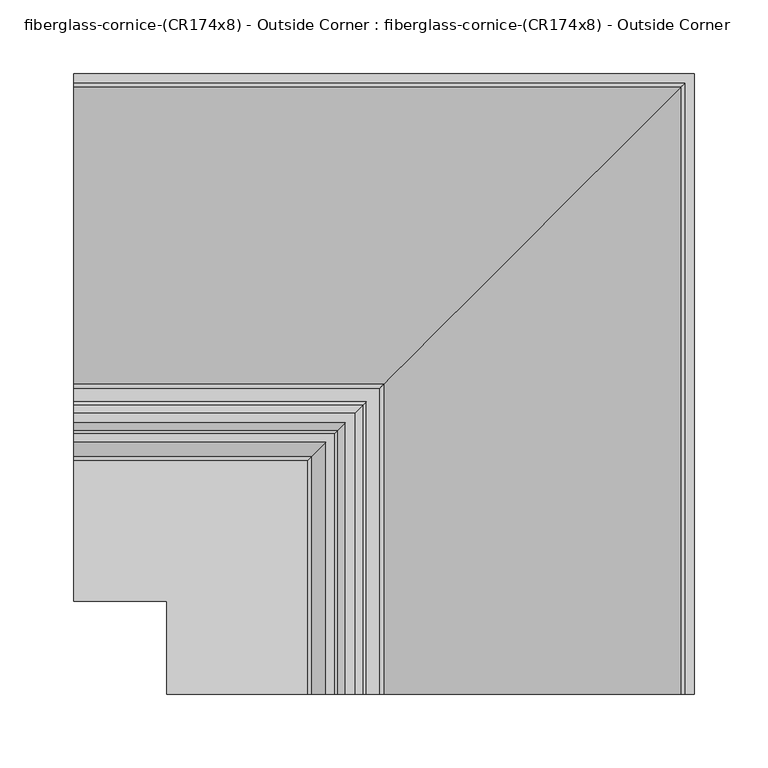
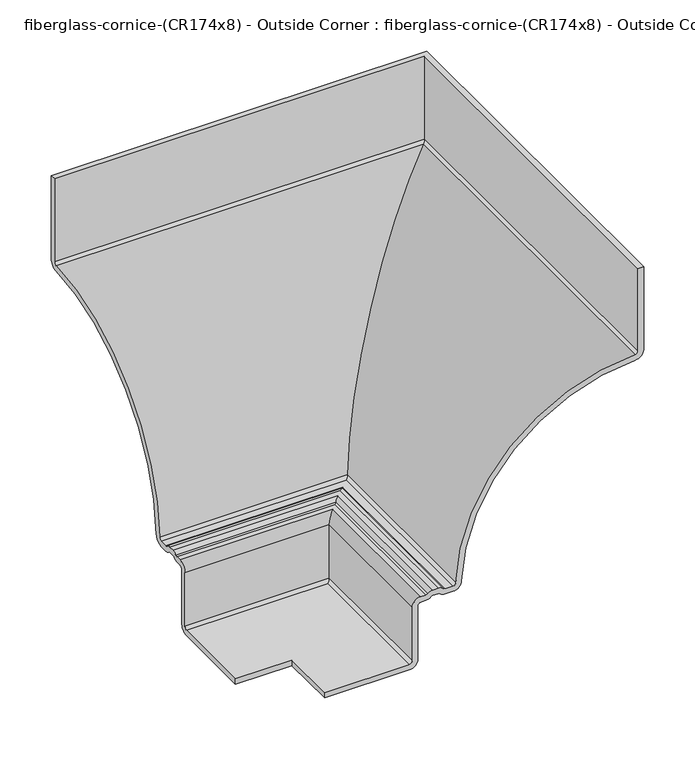
"""IFC4 building model written with IfcOpenShell, lengths in millimetres: furniture geometry, fiberglass-cornice-(CR174x8) - Outside Corner : fiberglass-cornice-(CR174x8) - Outside Corner."""

import ifcopenshell
import ifcopenshell.guid

model = None  # the IFC model being written
_history = None  # IfcOwnerHistory: only IFC2X3 demands one
_inside = {}  # id of a spatial element -> (the spatial element, [elements in it])
_under = {}  # id of a project, library or spatial element -> (it, [spatial elements below it])
_declared = {}  # id of a project -> (the project, [libraries it declares])
_typed = {}  # id of a type object -> (the type object, [elements of that type])
_made_of = {}  # id of a material, layer set ... -> (it, [elements and type objects made of it])


def new_model(schema):
    """Start an empty IFC model of exactly this schema.

    Asked for "IFC4X3", IfcOpenShell would pick the latest addendum, in which some entities
    have other attributes; the version numbers below select the first issue.
    IFC2X3 requires an IfcOwnerHistory on every rooted entity: one is made here for all.
    """
    global model, _history
    if schema == "IFC4X3":
        model = ifcopenshell.file(schema_version=(4, 3, 0, 0))
    else:
        model = ifcopenshell.file(schema=schema)
    _inside.clear()
    _under.clear()
    _declared.clear()
    _typed.clear()
    _made_of.clear()
    _history = None
    if model.schema == "IFC2X3":
        org = make("IfcOrganization", Name="unknown")
        user = make(
            "IfcPersonAndOrganization",
            ThePerson=make("IfcPerson", FamilyName="unknown"),
            TheOrganization=org,
        )
        app = make(
            "IfcApplication",
            ApplicationDeveloper=org,
            Version="unknown",
            ApplicationFullName="unknown",
            ApplicationIdentifier="unknown",
        )
        _history = make(
            "IfcOwnerHistory",
            OwningUser=user,
            OwningApplication=app,
            ChangeAction="ADDED",
            CreationDate=0,
        )
    return model


def make(cls, **values):
    """One entity of the class cls with the attributes given. An attribute that is None is left unset."""
    return model.create_entity(
        cls, **{name: value for name, value in values.items() if value is not None}
    )


def rooted(cls, **values):
    """An entity with a GlobalId (a new one), such as an element, a storey or a relation."""
    return make(cls, GlobalId=ifcopenshell.guid.new(), OwnerHistory=_history, **values)


def si_unit(unit_type, name, prefix=None):
    """IfcSIUnit, for example si_unit("LENGTHUNIT", "METRE", prefix="MILLI")."""
    return make("IfcSIUnit", UnitType=unit_type, Prefix=prefix, Name=name)


def assignment(units):
    """IfcUnitAssignment: the units of a project."""
    return None if units is None else make("IfcUnitAssignment", Units=units)


def point(xyz):
    """IfcCartesianPoint."""
    return None if xyz is None else make("IfcCartesianPoint", Coordinates=xyz)


def direction(xyz):
    """IfcDirection."""
    return None if xyz is None else make("IfcDirection", DirectionRatios=xyz)


def frame(location, z_axis=None, x_axis=None):
    """IfcAxis2Placement3D, a coordinate frame: its origin and axes. An axis left out is left unset."""
    return make(
        "IfcAxis2Placement3D",
        Location=point(location),
        Axis=direction(z_axis),
        RefDirection=direction(x_axis),
    )


def origin():
    """The frame at (0, 0, 0) with its axes left unset."""
    return frame((0.0, 0.0, 0.0))


def place(relative_to, where):
    """IfcLocalPlacement: puts the frame where relative to a parent placement (None: the world)."""
    return make(
        "IfcLocalPlacement", PlacementRelTo=relative_to, RelativePlacement=where
    )


def context(
    kind, dimensions, precision=None, world=None, true_north=None, identifier=None
):
    """IfcGeometricRepresentationContext, for example the 3D "Model" context."""
    return make(
        "IfcGeometricRepresentationContext",
        ContextIdentifier=identifier,
        ContextType=kind,
        CoordinateSpaceDimension=dimensions,
        Precision=precision,
        WorldCoordinateSystem=world,
        TrueNorth=true_north,
    )


def project(units=None, contexts=None):
    """IfcProject with its units and contexts."""
    return rooted(
        "IfcProject",
        Name="project",
        RepresentationContexts=contexts,
        UnitsInContext=assignment(units),
    )


def spatial(cls, under=None, at=None, **own):
    """A site, building, storey or space (cls), placed at a placement, below another one or the project."""
    s = rooted(cls, ObjectPlacement=at, **own)
    if under is not None:
        _under.setdefault(under.id(), (under, []))[1].append(s)
    return s


def polyline(points):
    """IfcPolyline through the points."""
    return make("IfcPolyline", Points=[point(p) for p in points])


def circle_curve(where, radius):
    """IfcCircle in the frame where."""
    return make("IfcCircle", Position=where, Radius=radius)


def ellipse_curve(where, semi_axis1, semi_axis2):
    """IfcEllipse in the frame where."""
    return make(
        "IfcEllipse", Position=where, SemiAxis1=semi_axis1, SemiAxis2=semi_axis2
    )


def shape(context_of_items, identifier, shape_type, items):
    """IfcShapeRepresentation: the items that make up one representation, for example the "Body"."""
    return make(
        "IfcShapeRepresentation",
        ContextOfItems=context_of_items,
        RepresentationIdentifier=identifier,
        RepresentationType=shape_type,
        Items=items,
    )


def source(mapping_origin, context_of_items, identifier, shape_type, items):
    """IfcRepresentationMap: a shape defined once, which mapped items show again and again."""
    return make(
        "IfcRepresentationMap",
        MappingOrigin=mapping_origin,
        MappedRepresentation=shape(context_of_items, identifier, shape_type, items),
    )


def transform(
    local_origin,
    x_axis=None,
    y_axis=None,
    z_axis=None,
    scale=None,
    scale2=None,
    scale3=None,
    uniform=True,
):
    """IfcCartesianTransformationOperator3D, or its non-uniform kind. x_axis, y_axis, z_axis: its Axis1, 2, 3."""
    if uniform:
        return make(
            "IfcCartesianTransformationOperator3D",
            Axis1=direction(x_axis),
            Axis2=direction(y_axis),
            LocalOrigin=point(local_origin),
            Scale=scale,
            Axis3=direction(z_axis),
        )
    return make(
        "IfcCartesianTransformationOperator3DnonUniform",
        Axis1=direction(x_axis),
        Axis2=direction(y_axis),
        LocalOrigin=point(local_origin),
        Scale=scale,
        Axis3=direction(z_axis),
        Scale2=scale2,
        Scale3=scale3,
    )


def mapped(mapping_source, mapping_target):
    """IfcMappedItem: shows the shape of a source again, moved by a transform."""
    return make(
        "IfcMappedItem", MappingSource=mapping_source, MappingTarget=mapping_target
    )


def made_of(thing, what):
    """Note that an element or type object is made of a material, layer set ...; save() writes the relation."""
    if what is not None:
        _made_of.setdefault(what.id(), (what, []))[1].append(thing)
    return thing


def element(
    cls,
    number,
    at=None,
    inside=None,
    cuts=None,
    type_object=None,
    material=None,
    context=None,
    identifier="Body",
    shape_type=None,
    held_by="IfcProductDefinitionShape",
    body=None,
    shapes=None,
    **own,
):
    """One element of the class cls, such as IfcWall. Its Tag is "e" and its number.

    at: its placement. inside: the storey or other place that contains it. cuts: it is an
    opening in that element (IfcRelVoidsElement). A single representation is given by context,
    identifier, shape_type and body (its items); several are given by shapes. held_by: the class
    of the entity that holds the representations. save() writes the other relations.
    """
    e = rooted(cls, Tag="e%d" % number, ObjectPlacement=at, **own)
    if body is not None:
        shapes = [shape(context, identifier, shape_type, body)]
    if shapes is not None:
        e.Representation = make(held_by, Representations=shapes)
    if inside is not None:
        _inside.setdefault(inside.id(), (inside, []))[1].append(e)
    if cuts is not None:
        rooted(
            "IfcRelVoidsElement", RelatingBuildingElement=cuts, RelatedOpeningElement=e
        )
    if type_object is not None:
        _typed.setdefault(type_object.id(), (type_object, []))[1].append(e)
    return made_of(e, material)


def aggregate(whole, parts):
    """IfcRelAggregates: a whole, such as a stair, and the parts it consists of."""
    return rooted("IfcRelAggregates", RelatingObject=whole, RelatedObjects=parts)


def save(model, path):
    """Write the relations noted so far, then the file.

    IfcRelAggregates (storeys below a building ...), IfcRelContainedInSpatialStructure (elements
    in a storey), IfcRelDefinesByType, IfcRelAssociatesMaterial and IfcRelDeclares: one each for
    every whole, place, type object, material and project.
    """
    for whole, parts in _under.values():
        aggregate(whole, parts)
    for where, things in _inside.values():
        rooted(
            "IfcRelContainedInSpatialStructure",
            RelatedElements=things,
            RelatingStructure=where,
        )
    for kind, things in _typed.values():
        rooted("IfcRelDefinesByType", RelatedObjects=things, RelatingType=kind)
    for what, things in _made_of.values():
        rooted("IfcRelAssociatesMaterial", RelatedObjects=things, RelatingMaterial=what)
    for by, libraries in _declared.values():
        rooted("IfcRelDeclares", RelatingContext=by, RelatedDefinitions=libraries)
    model.write(path)


def plane_surface(at):
    """IfcPlane: the flat surface through the origin of the frame at, square to its z axis."""
    return make("IfcPlane", Position=at)


def cylinder_surface(at, radius):
    """IfcCylindricalSurface: all points at the distance radius from the z axis of the frame at."""
    return make("IfcCylindricalSurface", Position=at, Radius=radius)


def revolved_surface(curve, axis_point, axis_direction):
    """IfcSurfaceOfRevolution: the curve turned about the line through axis_point along axis_direction."""
    return make(
        "IfcSurfaceOfRevolution",
        SweptCurve=make("IfcArbitraryOpenProfileDef", ProfileType="CURVE", Curve=curve),
        AxisPosition=make("IfcAxis1Placement", Location=point(axis_point), Axis=direction(axis_direction)),
    )


def advanced_brep(points, edges, surfaces, faces):
    """IfcAdvancedBrep: a solid bounded by faces that lie on surfaces and meet in shared edges.

    An edge is (start, end): straight between two places in points (the first is 0);
    or (start, end, curve); or (start, end, curve, False) where it runs against its curve.
    A face is (place in surfaces, loops), or (place, loops, False) where it looks against
    its surface's normal. A loop lists edges by number (the first is 1), with a minus sign
    where the edge is run from its end to its start. The first loop is the outer one.
    """
    corners = [point(p) for p in points]
    vertices = [make("IfcVertexPoint", VertexGeometry=c) for c in corners]
    made = []
    for start, end, *more in edges:
        made.append(
            make(
                "IfcEdgeCurve",
                EdgeStart=vertices[start],
                EdgeEnd=vertices[end],
                EdgeGeometry=more[0] if more else make("IfcPolyline", Points=[corners[start], corners[end]]),
                SameSense=more[1] if len(more) > 1 else True,
            )
        )
    hull = []
    for where, loops, *sense in faces:
        bounds = []
        for j, loop in enumerate(loops):
            ring = [make("IfcOrientedEdge", EdgeElement=made[abs(k) - 1], Orientation=k > 0) for k in loop]
            bounds.append(
                make(
                    "IfcFaceOuterBound" if j == 0 else "IfcFaceBound",
                    Bound=make("IfcEdgeLoop", EdgeList=ring),
                    Orientation=True,
                )
            )
        hull.append(make("IfcAdvancedFace", Bounds=bounds, FaceSurface=surfaces[where], SameSense=sense[0] if sense else True))
    return make("IfcAdvancedBrep", Outer=make("IfcClosedShell", CfsFaces=hull))


def fiberglass_cornice_cr174x8_outside_corner_fiberglass_cornice_20318d1a(model_context):
    return source(origin(), model_context, "Body", "AdvancedBrep", [
        advanced_brep(
        [(-196.9488213, 460.375, 330.1999904), (-196.9488213, 460.375, 231.6795826), (-196.9488213, 451.1361588, 222.1588821), (-196.9488213, 255.5113441, 28.207072), (-196.9488213, 245.9934525, 19.0499904), (-196.9488213, 237.1363562, 19.0499904), (-196.9488213, 231.5812634, 21.3178476), (-196.9488213, 229.3592262, 22.2249904), (-196.9488213, 223.0092262, 22.2249904), (-196.9488213, 220.7871891, 21.3178476), (-196.9488213, 215.2320963, 19.0499904), (-196.9488213, 209.55, 19.0499904), (-196.9488213, 206.375, 15.8749904), (-196.9488213, 206.375, -47.6250096), (-196.9488213, 196.85, -57.1500096), (-196.9488213, 101.6, -57.1500096), (-196.9488213, 101.6, -50.8000096), (-196.9488213, 196.85, -50.8000096), (-196.9488213, 200.025, -47.6250096), (-196.9488213, 200.025, 15.8749904), (-196.9488213, 209.55, 25.3999904), (-196.9488213, 215.2320963, 25.3999904), (-196.9488213, 217.4541334, 26.3071333), (-196.9488213, 223.0092262, 28.5749904), (-196.9488213, 229.3592262, 28.5749904), (-196.9488213, 234.9143191, 26.3071333), (-196.9488213, 237.1363562, 25.3999904), (-196.9488213, 245.9934525, 25.3999904), (-196.9488213, 249.166083, 28.4523509), (-196.9488213, 450.9453863, 228.5060158), (-196.9488213, 454.025, 231.6795826), (-196.9488213, 454.025, 330.1999904), (225.4253974, 38.0007813, 330.1999904), (219.0753974, 38.0007813, 330.1999904), (219.0753974, 38.0007813, 231.6795826), (215.9957837, 38.0007813, 228.5060158), (14.2164804, 38.0007813, 28.4523509), (11.0438499, 38.0007813, 25.3999904), (2.1867536, 38.0007813, 25.3999904), (-0.0352835, 38.0007813, 26.3071333), (-5.5903764, 38.0007813, 28.5749904), (-11.9403764, 38.0007813, 28.5749904), (-17.4954692, 38.0007813, 26.3071333), (-19.7175063, 38.0007813, 25.3999904), (-25.3996026, 38.0007813, 25.3999904), (-34.9246026, 38.0007813, 15.8749904), (-34.9246026, 38.0007813, -47.6250096), (-38.0996026, 38.0007813, -50.8000096), (-133.3496026, 38.0007813, -50.8000096), (-133.3496026, 38.0007813, -57.1500096), (-38.0996026, 38.0007813, -57.1500096), (-28.5746026, 38.0007813, -47.6250096), (-28.5746026, 38.0007813, 15.8749904), (-25.3996026, 38.0007813, 19.0499904), (-19.7175063, 38.0007813, 19.0499904), (-14.1624135, 38.0007813, 21.3178476), (-11.9403764, 38.0007813, 22.2249904), (-5.5903764, 38.0007813, 22.2249904), (-3.3683392, 38.0007813, 21.3178476), (2.1867536, 38.0007813, 19.0499904), (11.0438499, 38.0007813, 19.0499904), (20.5617415, 38.0007813, 28.207072), (216.1865562, 38.0007813, 222.1588821), (225.4253974, 38.0007813, 231.6795826), (225.4253974, 460.375, 330.1999904), (225.4253974, 460.375, 231.6795826), (216.1865562, 451.1361588, 222.1588821), (20.5617415, 255.5113441, 28.207072), (11.0438499, 245.9934525, 19.0499904), (2.1867536, 237.1363562, 19.0499904), (-3.3683392, 231.5812634, 21.3178476), (-5.5903764, 229.3592262, 22.2249904), (-11.9403764, 223.0092262, 22.2249904), (-14.1624135, 220.7871891, 21.3178476), (-19.7175063, 215.2320963, 19.0499904), (-25.3996026, 209.55, 19.0499904), (-28.5746026, 206.375, 15.8749904), (-28.5746026, 206.375, -47.6250096), (-38.0996026, 196.85, -57.1500096), (-133.3496026, 101.6, -57.1500096), (-133.3496026, 101.6, -50.8000096), (-38.0996026, 196.85, -50.8000096), (-34.9246026, 200.025, -47.6250096), (-34.9246026, 200.025, 15.8749904), (-25.3996026, 209.55, 25.3999904), (-19.7175063, 215.2320963, 25.3999904), (-17.4954692, 217.4541334, 26.3071333), (-11.9403764, 223.0092262, 28.5749904), (-5.5903764, 229.3592262, 28.5749904), (-0.0352835, 234.9143191, 26.3071333), (2.1867536, 237.1363562, 25.3999904), (11.0438499, 245.9934525, 25.3999904), (14.2164804, 249.166083, 28.4523509), (215.9957837, 450.9453863, 228.5060158), (219.0753974, 454.025, 231.6795826), (219.0753974, 454.025, 330.1999904)],
        [
            (0, 1),
            (1, 2, circle_curve(frame((-196.9488213, 450.85, 231.6795826), z_axis=(-1.0, 0.0, 0.0), x_axis=(0.0, 1.0, 0.0)), 9.525)),
            (2, 3, circle_curve(frame((-196.9488213, 457.2, 20.4107047), z_axis=(1.0, 0.0, 0.0), x_axis=(0.0, 1.0, 0.0)), 201.8392857)),
            (3, 4, circle_curve(frame((-196.9488213, 245.9934525, 28.5749904), z_axis=(-1.0, 0.0, 0.0), x_axis=(0.0, 1.0, 0.0)), 9.525)),
            (4, 5),
            (5, 6, circle_curve(frame((-196.9488213, 237.1363562, 26.9874904), z_axis=(-1.0, 0.0, 0.0), x_axis=(0.0, 1.0, 0.0)), 7.9375)),
            (6, 7, circle_curve(frame((-196.9488213, 229.3592262, 19.0499904), z_axis=(1.0, 0.0, 0.0), x_axis=(0.0, 1.0, 0.0)), 3.175)),
            (7, 8),
            (8, 9, circle_curve(frame((-196.9488213, 223.0092262, 19.0499904), z_axis=(1.0, 0.0, 0.0), x_axis=(0.0, 1.0, 0.0)), 3.175)),
            (9, 10, circle_curve(frame((-196.9488213, 215.2320963, 26.9874904), z_axis=(-1.0, 0.0, 0.0), x_axis=(0.0, 1.0, 0.0)), 7.9375)),
            (10, 11),
            (11, 12, circle_curve(frame((-196.9488213, 209.55, 15.8749904), z_axis=(1.0, 0.0, 0.0), x_axis=(0.0, 1.0, 0.0)), 3.175)),
            (12, 13),
            (13, 14, circle_curve(frame((-196.9488213, 196.85, -47.6250096), z_axis=(-1.0, 0.0, 0.0), x_axis=(0.0, 1.0, 0.0)), 9.525)),
            (14, 15),
            (15, 16),
            (16, 17),
            (17, 18, circle_curve(frame((-196.9488213, 196.85, -47.6250096), z_axis=(1.0, 0.0, 0.0), x_axis=(0.0, 1.0, 0.0)), 3.175)),
            (18, 19),
            (19, 20, circle_curve(frame((-196.9488213, 209.55, 15.8749904), z_axis=(-1.0, 0.0, 0.0), x_axis=(0.0, 1.0, 0.0)), 9.525)),
            (20, 21),
            (21, 22, circle_curve(frame((-196.9488213, 215.2320963, 28.5749904), z_axis=(1.0, 0.0, 0.0), x_axis=(0.0, 1.0, 0.0)), 3.175)),
            (22, 23, circle_curve(frame((-196.9488213, 223.0092262, 20.6374904), z_axis=(-1.0, 0.0, 0.0), x_axis=(0.0, 1.0, 0.0)), 7.9375)),
            (23, 24),
            (24, 25, circle_curve(frame((-196.9488213, 229.3592262, 20.6374904), z_axis=(-1.0, 0.0, 0.0), x_axis=(0.0, 1.0, 0.0)), 7.9375)),
            (25, 26, circle_curve(frame((-196.9488213, 237.1363562, 28.5749904), z_axis=(1.0, 0.0, 0.0), x_axis=(0.0, 1.0, 0.0)), 3.175)),
            (26, 27),
            (27, 28, circle_curve(frame((-196.9488213, 245.9934525, 28.5749904), z_axis=(1.0, 0.0, 0.0), x_axis=(0.0, 1.0, 0.0)), 3.175)),
            (28, 29, circle_curve(frame((-196.9488213, 457.2, 20.4107047), z_axis=(-1.0, 0.0, 0.0), x_axis=(0.0, 1.0, 0.0)), 208.1892857)),
            (29, 30, circle_curve(frame((-196.9488213, 450.85, 231.6795826), z_axis=(1.0, 0.0, 0.0), x_axis=(0.0, 1.0, 0.0)), 3.175)),
            (30, 31),
            (31, 0),
            (32, 33),
            (33, 34),
            (34, 35, circle_curve(frame((215.9003974, 38.0007813, 231.6795826), z_axis=(0.0, 1.0, 0.0), x_axis=(1.0, 0.0, 0.0)), 3.175)),
            (35, 36, circle_curve(frame((222.2503974, 38.0007813, 20.4107047), z_axis=(0.0, -1.0, 0.0), x_axis=(1.0, 0.0, 0.0)), 208.1892857)),
            (36, 37, circle_curve(frame((11.0438499, 38.0007813, 28.5749904), z_axis=(0.0, 1.0, 0.0), x_axis=(1.0, 0.0, 0.0)), 3.175)),
            (37, 38),
            (38, 39, circle_curve(frame((2.1867536, 38.0007813, 28.5749904), z_axis=(0.0, 1.0, 0.0), x_axis=(1.0, 0.0, 0.0)), 3.175)),
            (39, 40, circle_curve(frame((-5.5903764, 38.0007813, 20.6374904), z_axis=(0.0, -1.0, 0.0), x_axis=(1.0, 0.0, 0.0)), 7.9375)),
            (40, 41),
            (41, 42, circle_curve(frame((-11.9403764, 38.0007813, 20.6374904), z_axis=(0.0, -1.0, 0.0), x_axis=(1.0, 0.0, 0.0)), 7.9375)),
            (42, 43, circle_curve(frame((-19.7175063, 38.0007813, 28.5749904), z_axis=(0.0, 1.0, 0.0), x_axis=(1.0, 0.0, 0.0)), 3.175)),
            (43, 44),
            (44, 45, circle_curve(frame((-25.3996026, 38.0007813, 15.8749904), z_axis=(0.0, -1.0, 0.0), x_axis=(1.0, 0.0, 0.0)), 9.525)),
            (45, 46),
            (46, 47, circle_curve(frame((-38.0996026, 38.0007813, -47.6250096), z_axis=(0.0, 1.0, 0.0), x_axis=(1.0, 0.0, 0.0)), 3.175)),
            (47, 48),
            (48, 49),
            (49, 50),
            (50, 51, circle_curve(frame((-38.0996026, 38.0007813, -47.6250096), z_axis=(0.0, -1.0, 0.0), x_axis=(1.0, 0.0, 0.0)), 9.525)),
            (51, 52),
            (52, 53, circle_curve(frame((-25.3996026, 38.0007813, 15.8749904), z_axis=(0.0, 1.0, 0.0), x_axis=(1.0, 0.0, 0.0)), 3.175)),
            (53, 54),
            (54, 55, circle_curve(frame((-19.7175063, 38.0007813, 26.9874904), z_axis=(0.0, -1.0, 0.0), x_axis=(1.0, 0.0, 0.0)), 7.9375)),
            (55, 56, circle_curve(frame((-11.9403764, 38.0007813, 19.0499904), z_axis=(0.0, 1.0, 0.0), x_axis=(1.0, 0.0, 0.0)), 3.175)),
            (56, 57),
            (57, 58, circle_curve(frame((-5.5903764, 38.0007813, 19.0499904), z_axis=(0.0, 1.0, 0.0), x_axis=(1.0, 0.0, 0.0)), 3.175)),
            (58, 59, circle_curve(frame((2.1867536, 38.0007813, 26.9874904), z_axis=(0.0, -1.0, 0.0), x_axis=(1.0, 0.0, 0.0)), 7.9375)),
            (59, 60),
            (60, 61, circle_curve(frame((11.0438499, 38.0007813, 28.5749904), z_axis=(0.0, -1.0, 0.0), x_axis=(1.0, 0.0, 0.0)), 9.525)),
            (61, 62, circle_curve(frame((222.2503974, 38.0007813, 20.4107047), z_axis=(0.0, 1.0, 0.0), x_axis=(1.0, 0.0, 0.0)), 201.8392857)),
            (62, 63, circle_curve(frame((215.9003974, 38.0007813, 231.6795826), z_axis=(0.0, -1.0, 0.0), x_axis=(1.0, 0.0, 0.0)), 9.525)),
            (63, 32),
            (0, 64),
            (64, 65),
            (65, 1),
            (65, 66, ellipse_curve(frame((215.9003974, 450.85, 231.6795826), z_axis=(-0.7071067811865563, 0.7071067811865387, 0.0), x_axis=(-0.7071067811865387, -0.7071067811865565, 0.0)), 13.4703842, 9.525)),
            (66, 2),
            (66, 67, ellipse_curve(frame((222.2503974, 457.2, 20.4107047), z_axis=(0.7071067811865563, -0.7071067811865387, 0.0), x_axis=(0.7071067811865387, 0.7071067811865565, 0.0)), 285.4438553, 201.8392857)),
            (67, 3),
            (67, 68, ellipse_curve(frame((11.0438499, 245.9934525, 28.5749904), z_axis=(-0.7071067811865563, 0.7071067811865387, 0.0), x_axis=(-0.7071067811865387, -0.7071067811865565, 0.0)), 13.4703842, 9.525)),
            (68, 4),
            (68, 60),
            (59, 69),
            (69, 5),
            (69, 70, ellipse_curve(frame((2.1867536, 237.1363562, 26.9874904), z_axis=(-0.7071067811865563, 0.7071067811865387, 0.0), x_axis=(-0.7071067811865387, -0.7071067811865565, 0.0)), 11.2253202, 7.9375)),
            (70, 6),
            (70, 71, ellipse_curve(frame((-5.5903764, 229.3592262, 19.0499904), z_axis=(0.7071067811865563, -0.7071067811865387, 0.0), x_axis=(0.7071067811865387, 0.7071067811865565, 0.0)), 4.4901281, 3.175)),
            (71, 7),
            (71, 57),
            (56, 72),
            (72, 8),
            (72, 73, ellipse_curve(frame((-11.9403764, 223.0092262, 19.0499904), z_axis=(0.7071067811865563, -0.7071067811865387, 0.0), x_axis=(0.7071067811865387, 0.7071067811865565, 0.0)), 4.4901281, 3.175)),
            (73, 9),
            (73, 74, ellipse_curve(frame((-19.7175063, 215.2320963, 26.9874904), z_axis=(-0.7071067811865563, 0.7071067811865387, 0.0), x_axis=(-0.7071067811865387, -0.7071067811865565, 0.0)), 11.2253202, 7.9375)),
            (74, 10),
            (74, 54),
            (53, 75),
            (75, 11),
            (75, 76, ellipse_curve(frame((-25.3996026, 209.55, 15.8749904), z_axis=(0.7071067811865563, -0.7071067811865387, 0.0), x_axis=(0.7071067811865387, 0.7071067811865565, 0.0)), 4.4901281, 3.175)),
            (76, 12),
            (76, 77),
            (77, 13),
            (77, 78, ellipse_curve(frame((-38.0996026, 196.85, -47.6250096), z_axis=(-0.7071067811865563, 0.7071067811865387, 0.0), x_axis=(-0.7071067811865387, -0.7071067811865565, 0.0)), 13.4703842, 9.525)),
            (78, 14),
            (78, 50),
            (49, 79),
            (79, 15),
            (79, 80),
            (80, 16),
            (80, 48),
            (47, 81),
            (81, 17),
            (81, 82, ellipse_curve(frame((-38.0996026, 196.85, -47.6250096), z_axis=(0.7071067811865563, -0.7071067811865387, 0.0), x_axis=(0.7071067811865387, 0.7071067811865565, 0.0)), 4.4901281, 3.175)),
            (82, 18),
            (82, 83),
            (83, 19),
            (83, 84, ellipse_curve(frame((-25.3996026, 209.55, 15.8749904), z_axis=(-0.7071067811865563, 0.7071067811865387, 0.0), x_axis=(-0.7071067811865387, -0.7071067811865565, 0.0)), 13.4703842, 9.525)),
            (84, 20),
            (84, 44),
            (43, 85),
            (85, 21),
            (85, 86, ellipse_curve(frame((-19.7175063, 215.2320963, 28.5749904), z_axis=(0.7071067811865563, -0.7071067811865387, 0.0), x_axis=(0.7071067811865387, 0.7071067811865565, 0.0)), 4.4901281, 3.175)),
            (86, 22),
            (86, 87, ellipse_curve(frame((-11.9403764, 223.0092262, 20.6374904), z_axis=(-0.7071067811865563, 0.7071067811865387, 0.0), x_axis=(-0.7071067811865387, -0.7071067811865565, 0.0)), 11.2253202, 7.9375)),
            (87, 23),
            (87, 41),
            (40, 88),
            (88, 24),
            (88, 89, ellipse_curve(frame((-5.5903764, 229.3592262, 20.6374904), z_axis=(-0.7071067811865563, 0.7071067811865387, 0.0), x_axis=(-0.7071067811865387, -0.7071067811865565, 0.0)), 11.2253202, 7.9375)),
            (89, 25),
            (89, 90, ellipse_curve(frame((2.1867536, 237.1363562, 28.5749904), z_axis=(0.7071067811865563, -0.7071067811865387, 0.0), x_axis=(0.7071067811865387, 0.7071067811865565, 0.0)), 4.4901281, 3.175)),
            (90, 26),
            (90, 38),
            (37, 91),
            (91, 27),
            (91, 92, ellipse_curve(frame((11.0438499, 245.9934525, 28.5749904), z_axis=(0.7071067811865563, -0.7071067811865387, 0.0), x_axis=(0.7071067811865387, 0.7071067811865565, 0.0)), 4.4901281, 3.175)),
            (92, 28),
            (92, 93, ellipse_curve(frame((222.2503974, 457.2, 20.4107047), z_axis=(-0.7071067811865563, 0.7071067811865387, 0.0), x_axis=(-0.7071067811865387, -0.7071067811865565, 0.0)), 294.4241114, 208.1892857)),
            (93, 29),
            (93, 94, ellipse_curve(frame((215.9003974, 450.85, 231.6795826), z_axis=(0.7071067811865563, -0.7071067811865387, 0.0), x_axis=(0.7071067811865387, 0.7071067811865565, 0.0)), 4.4901281, 3.175)),
            (94, 30),
            (94, 95),
            (95, 31),
            (95, 33),
            (32, 64),
            (63, 65),
            (62, 66),
            (61, 67),
            (58, 70),
            (55, 73),
            (52, 76),
            (51, 77),
            (46, 82),
            (45, 83),
            (42, 86),
            (39, 89),
            (36, 92),
            (35, 93),
            (34, 94),
        ],
        [
            plane_surface(frame((-196.9488213, 101.6, 330.1999904), z_axis=(-1.0, 0.0, 0.0), x_axis=(0.0, 0.0, 1.0))),
            plane_surface(frame((-133.3496026, 38.0007813, 330.1999904), z_axis=(0.0, -1.0, 0.0), x_axis=(0.0, 0.0, 1.0))),
            plane_surface(frame((-196.9488213, 460.375, 330.1999904), z_axis=(0.0, 1.0, 0.0), x_axis=(1.0, 0.0, 0.0))),
            cylinder_surface(frame((-196.9488213, 450.85, 231.6795826), z_axis=(-1.0, 0.0, 0.0), x_axis=(0.0, 1.0, 0.0)), 9.525),
            revolved_surface(polyline([(424.08968313065907, 659.0392856999999, 20.4107047), (-196.9488213, 659.0392856999999, 20.4107047)]), (-196.9488213, 457.2, 20.4107047), (1.0, 0.0, 0.0)),
            cylinder_surface(frame((-196.9488213, 245.9934525, 28.5749904), z_axis=(-1.0, 0.0, 0.0), x_axis=(0.0, 1.0, 0.0)), 9.525),
            plane_surface(frame((-196.9488213, 245.9934525, 19.0499904), z_axis=(0.0, 0.0, -1.0), x_axis=(1.0, 0.0, 0.0))),
            cylinder_surface(frame((-196.9488213, 237.1363562, 26.9874904), z_axis=(-1.0, 0.0, 0.0), x_axis=(0.0, 1.0, 0.0)), 7.9375),
            revolved_surface(polyline([(-2.4153763720937604, 232.5342262, 19.0499904), (-196.9488213, 232.5342262, 19.0499904)]), (-196.9488213, 229.3592262, 19.0499904), (1.0, 0.0, 0.0)),
            plane_surface(frame((-196.9488213, 229.3592262, 22.2249904), z_axis=(0.0, 0.0, -1.0), x_axis=(1.0, 0.0, 0.0))),
            revolved_surface(polyline([(-8.765376372093755, 226.1842262, 19.0499904), (-196.9488213, 226.1842262, 19.0499904)]), (-196.9488213, 223.0092262, 19.0499904), (1.0, 0.0, 0.0)),
            cylinder_surface(frame((-196.9488213, 215.2320963, 26.9874904), z_axis=(-1.0, 0.0, 0.0), x_axis=(0.0, 1.0, 0.0)), 7.9375),
            plane_surface(frame((-196.9488213, 215.2320963, 19.0499904), z_axis=(0.0, 0.0, -1.0), x_axis=(1.0, 0.0, 0.0))),
            revolved_surface(polyline([(-22.224602572093772, 212.72500000000002, 15.8749904), (-196.9488213, 212.72500000000002, 15.8749904)]), (-196.9488213, 209.55, 15.8749904), (1.0, 0.0, 0.0)),
            plane_surface(frame((-196.9488213, 206.375, 15.8749904), z_axis=(0.0, 1.0, 0.0), x_axis=(1.0, 0.0, 0.0))),
            cylinder_surface(frame((-196.9488213, 196.85, -47.6250096), z_axis=(-1.0, 0.0, 0.0), x_axis=(0.0, 1.0, 0.0)), 9.525),
            plane_surface(frame((-196.9488213, 196.85, -57.1500096), z_axis=(0.0, 0.0, -1.0), x_axis=(1.0, 0.0, 0.0))),
            plane_surface(frame((-196.9488213, 101.6, -57.1500096), z_axis=(0.0, -1.0, 0.0), x_axis=(1.0, 0.0, 0.0))),
            plane_surface(frame((-196.9488213, 101.6, -50.8000096), z_axis=(0.0, 0.0, 1.0), x_axis=(1.0, 0.0, 0.0))),
            revolved_surface(polyline([(-34.92460257209376, 200.025, -47.6250096), (-196.9488213, 200.025, -47.6250096)]), (-196.9488213, 196.85, -47.6250096), (1.0, 0.0, 0.0)),
            plane_surface(frame((-196.9488213, 200.025, -47.6250096), z_axis=(0.0, -1.0, 0.0), x_axis=(1.0, 0.0, 0.0))),
            cylinder_surface(frame((-196.9488213, 209.55, 15.8749904), z_axis=(-1.0, 0.0, 0.0), x_axis=(0.0, 1.0, 0.0)), 9.525),
            plane_surface(frame((-196.9488213, 209.55, 25.3999904), z_axis=(0.0, 0.0, 1.0), x_axis=(1.0, 0.0, 0.0))),
            revolved_surface(polyline([(-16.54250627209376, 218.4070963, 28.5749904), (-196.9488213, 218.4070963, 28.5749904)]), (-196.9488213, 215.2320963, 28.5749904), (1.0, 0.0, 0.0)),
            cylinder_surface(frame((-196.9488213, 223.0092262, 20.6374904), z_axis=(-1.0, 0.0, 0.0), x_axis=(0.0, 1.0, 0.0)), 7.9375),
            plane_surface(frame((-196.9488213, 223.0092262, 28.5749904), z_axis=(0.0, 0.0, 1.0), x_axis=(1.0, 0.0, 0.0))),
            cylinder_surface(frame((-196.9488213, 229.3592262, 20.6374904), z_axis=(-1.0, 0.0, 0.0), x_axis=(0.0, 1.0, 0.0)), 7.9375),
            revolved_surface(polyline([(5.361753627906239, 240.3113562, 28.5749904), (-196.9488213, 240.3113562, 28.5749904)]), (-196.9488213, 237.1363562, 28.5749904), (1.0, 0.0, 0.0)),
            plane_surface(frame((-196.9488213, 237.1363562, 25.3999904), z_axis=(0.0, 0.0, 1.0), x_axis=(1.0, 0.0, 0.0))),
            revolved_surface(polyline([(14.218849927906234, 249.1684525, 28.5749904), (-196.9488213, 249.1684525, 28.5749904)]), (-196.9488213, 245.9934525, 28.5749904), (1.0, 0.0, 0.0)),
            cylinder_surface(frame((-196.9488213, 457.2, 20.4107047), z_axis=(-1.0, 0.0, 0.0), x_axis=(0.0, 1.0, 0.0)), 208.1892857),
            revolved_surface(polyline([(219.0753974279062, 454.02500000000003, 231.6795826), (-196.9488213, 454.02500000000003, 231.6795826)]), (-196.9488213, 450.85, 231.6795826), (1.0, 0.0, 0.0)),
            plane_surface(frame((-196.9488213, 454.025, 231.6795826), z_axis=(0.0, -1.0, 0.0), x_axis=(1.0, 0.0, 0.0))),
            plane_surface(frame((-196.9488213, 454.025, 330.1999904), z_axis=(0.0, 0.0, 1.0), x_axis=(1.0, 0.0, 0.0))),
            plane_surface(frame((225.4253974, 460.375, 330.1999904), z_axis=(1.0, 0.0, 0.0), x_axis=(0.0, -1.0, 0.0))),
            cylinder_surface(frame((215.9003974, 101.6, 231.6795826), z_axis=(0.0, 1.0, 0.0), x_axis=(1.0, 0.0, 0.0)), 9.525),
            revolved_surface(polyline([(424.0896831, 38.0007813, 20.4107047), (424.0896831, 659.0392857306642, 20.4107047)]), (222.2503974, 101.6, 20.4107047), (0.0, -1.0, 0.0)),
            cylinder_surface(frame((11.0438499, 101.6, 28.5749904), z_axis=(0.0, 1.0, 0.0), x_axis=(1.0, 0.0, 0.0)), 9.525),
            cylinder_surface(frame((2.1867536, 101.6, 26.9874904), z_axis=(0.0, 1.0, 0.0), x_axis=(1.0, 0.0, 0.0)), 7.9375),
            revolved_surface(polyline([(-2.4153764000000004, 38.0007813, 19.0499904), (-2.4153764000000004, 232.53422622790632, 19.0499904)]), (-5.5903764, 101.6, 19.0499904), (0.0, -1.0, 0.0)),
            revolved_surface(polyline([(-8.765376400000001, 38.0007813, 19.0499904), (-8.765376400000001, 226.18422622790632, 19.0499904)]), (-11.9403764, 101.6, 19.0499904), (0.0, -1.0, 0.0)),
            cylinder_surface(frame((-19.7175063, 101.6, 26.9874904), z_axis=(0.0, 1.0, 0.0), x_axis=(1.0, 0.0, 0.0)), 7.9375),
            revolved_surface(polyline([(-22.2246026, 38.0007813, 15.8749904), (-22.2246026, 212.72500002790633, 15.8749904)]), (-25.3996026, 101.6, 15.8749904), (0.0, -1.0, 0.0)),
            plane_surface(frame((-28.5746026, 206.375, 15.8749904), z_axis=(1.0, 0.0, 0.0), x_axis=(0.0, -1.0, 0.0))),
            cylinder_surface(frame((-38.0996026, 101.6, -47.6250096), z_axis=(0.0, 1.0, 0.0), x_axis=(1.0, 0.0, 0.0)), 9.525),
            plane_surface(frame((-133.3496026, 101.6, -57.1500096), z_axis=(-1.0, 0.0, 0.0), x_axis=(0.0, -1.0, 0.0))),
            revolved_surface(polyline([(-34.9246026, 38.0007813, -47.6250096), (-34.9246026, 200.0250000279063, -47.6250096)]), (-38.0996026, 101.6, -47.6250096), (0.0, -1.0, 0.0)),
            plane_surface(frame((-34.9246026, 200.025, -47.6250096), z_axis=(-1.0, 0.0, 0.0), x_axis=(0.0, -1.0, 0.0))),
            cylinder_surface(frame((-25.3996026, 101.6, 15.8749904), z_axis=(0.0, 1.0, 0.0), x_axis=(1.0, 0.0, 0.0)), 9.525),
            revolved_surface(polyline([(-16.5425063, 38.0007813, 28.5749904), (-16.5425063, 218.4070963279063, 28.5749904)]), (-19.7175063, 101.6, 28.5749904), (0.0, -1.0, 0.0)),
            cylinder_surface(frame((-11.9403764, 101.6, 20.6374904), z_axis=(0.0, 1.0, 0.0), x_axis=(1.0, 0.0, 0.0)), 7.9375),
            cylinder_surface(frame((-5.5903764, 101.6, 20.6374904), z_axis=(0.0, 1.0, 0.0), x_axis=(1.0, 0.0, 0.0)), 7.9375),
            revolved_surface(polyline([(5.3617536, 38.0007813, 28.5749904), (5.3617536, 240.31135622790632, 28.5749904)]), (2.1867536, 101.6, 28.5749904), (0.0, -1.0, 0.0)),
            revolved_surface(polyline([(14.218849899999999, 38.0007813, 28.5749904), (14.218849899999999, 249.1684525279063, 28.5749904)]), (11.0438499, 101.6, 28.5749904), (0.0, -1.0, 0.0)),
            cylinder_surface(frame((222.2503974, 101.6, 20.4107047), z_axis=(0.0, 1.0, 0.0), x_axis=(1.0, 0.0, 0.0)), 208.1892857),
            revolved_surface(polyline([(219.0753974, 38.0007813, 231.6795826), (219.0753974, 454.02500002790634, 231.6795826)]), (215.9003974, 101.6, 231.6795826), (0.0, -1.0, 0.0)),
            plane_surface(frame((219.0753974, 454.025, 231.6795826), z_axis=(-1.0, 0.0, 0.0), x_axis=(0.0, -1.0, 0.0))),
        ],
        [
            (0, [[1, 2, 3, 4, 5, 6, 7, 8, 9, 10, 11, 12, 13, 14, 15, 16, 17, 18, 19, 20, 21, 22, 23, 24, 25, 26, 27, 28, 29, 30, 31, 32]]),
            (1, [[33, 34, 35, 36, 37, 38, 39, 40, 41, 42, 43, 44, 45, 46, 47, 48, 49, 50, 51, 52, 53, 54, 55, 56, 57, 58, 59, 60, 61, 62, 63, 64]]),
            (2, [[-1, 65, 66, 67]]),
            (3, [[-2, -67, 68, 69]]),
            (4, [[-3, -69, 70, 71]]),
            (5, [[-4, -71, 72, 73]]),
            (6, [[-5, -73, 74, -60, 75, 76]]),
            (7, [[-6, -76, 77, 78]]),
            (8, [[-7, -78, 79, 80]]),
            (9, [[-8, -80, 81, -57, 82, 83]]),
            (10, [[-9, -83, 84, 85]]),
            (11, [[-10, -85, 86, 87]]),
            (12, [[-11, -87, 88, -54, 89, 90]]),
            (13, [[-12, -90, 91, 92]]),
            (14, [[-13, -92, 93, 94]]),
            (15, [[-14, -94, 95, 96]]),
            (16, [[-15, -96, 97, -50, 98, 99]]),
            (17, [[-16, -99, 100, 101]]),
            (18, [[-17, -101, 102, -48, 103, 104]]),
            (19, [[-18, -104, 105, 106]]),
            (20, [[-19, -106, 107, 108]]),
            (21, [[-20, -108, 109, 110]]),
            (22, [[-21, -110, 111, -44, 112, 113]]),
            (23, [[-22, -113, 114, 115]]),
            (24, [[-23, -115, 116, 117]]),
            (25, [[-24, -117, 118, -41, 119, 120]]),
            (26, [[-25, -120, 121, 122]]),
            (27, [[-26, -122, 123, 124]]),
            (28, [[-27, -124, 125, -38, 126, 127]]),
            (29, [[-28, -127, 128, 129]]),
            (30, [[-29, -129, 130, 131]]),
            (31, [[-30, -131, 132, 133]]),
            (32, [[-31, -133, 134, 135]]),
            (33, [[-32, -135, 136, -33, 137, -65]]),
            (34, [[-66, -137, -64, 138]]),
            (35, [[-68, -138, -63, 139]]),
            (36, [[-70, -139, -62, 140]]),
            (37, [[-72, -140, -61, -74]]),
            (38, [[-77, -75, -59, 141]]),
            (39, [[-79, -141, -58, -81]]),
            (40, [[-84, -82, -56, 142]]),
            (41, [[-86, -142, -55, -88]]),
            (42, [[-91, -89, -53, 143]]),
            (43, [[-93, -143, -52, 144]]),
            (44, [[-95, -144, -51, -97]]),
            (45, [[-100, -98, -49, -102]]),
            (46, [[-105, -103, -47, 145]]),
            (47, [[-107, -145, -46, 146]]),
            (48, [[-109, -146, -45, -111]]),
            (49, [[-114, -112, -43, 147]]),
            (50, [[-116, -147, -42, -118]]),
            (51, [[-121, -119, -40, 148]]),
            (52, [[-123, -148, -39, -125]]),
            (53, [[-128, -126, -37, 149]]),
            (54, [[-130, -149, -36, 150]]),
            (55, [[-132, -150, -35, 151]]),
            (56, [[-134, -151, -34, -136]]),
        ],
    ),
    ])


if __name__ == "__main__":
    model = new_model("IFC4")
    model_context = context("Model", 3, world=origin())
    ifc_project = project(units=[si_unit("LENGTHUNIT", "METRE", prefix="MILLI")], contexts=[model_context])
    site = spatial("IfcSite", under=ifc_project)
    building = spatial("IfcBuilding", under=site)
    placement = place(None, origin())
    fiberglass_cornice_cr174x8_outside_corner_fiberglass_cornice_shape = fiberglass_cornice_cr174x8_outside_corner_fiberglass_cornice_20318d1a(model_context)
    element("IfcFurniture", 1, ObjectType="fiberglass-cornice-(CR174x8) - Outside Corner : fiberglass-cornice-(CR174x8) - Outside Corner", at=placement, inside=building, context=model_context, shape_type="MappedRepresentation", body=[
        mapped(fiberglass_cornice_cr174x8_outside_corner_fiberglass_cornice_shape, transform((0.0, 0.0, 0.0), x_axis=(1.0, 0.0, 0.0), y_axis=(0.0, 1.0, 0.0), z_axis=(0.0, 0.0, 1.0))),
    ])
    save(model, "model.ifc")
